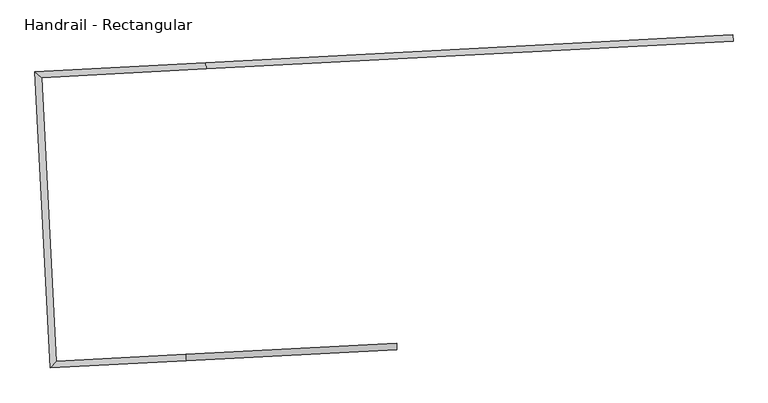
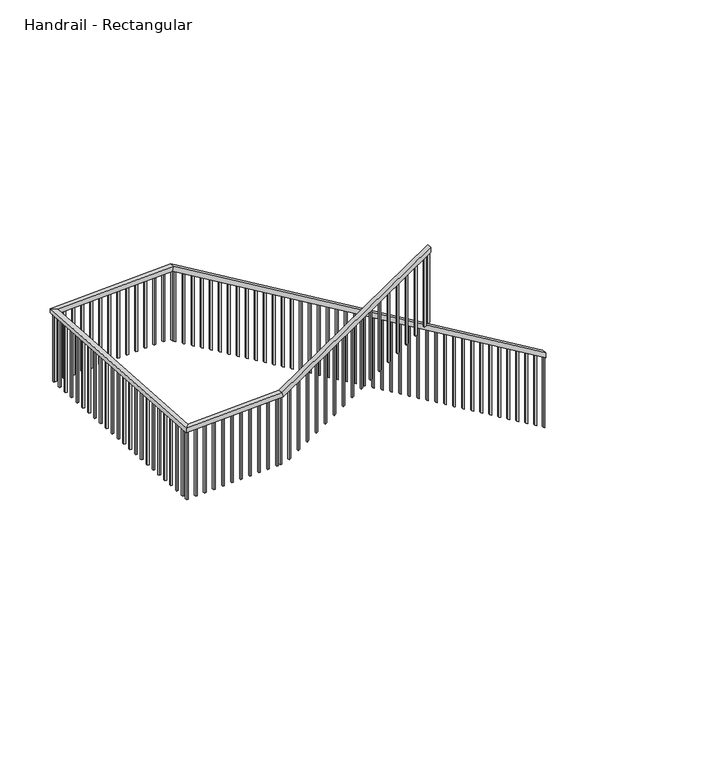
"""IFC4 building model written with IfcOpenShell, lengths in millimetres: railing geometry, Handrail - Rectangular."""

from ifc_helpers import new_model, si_unit, frame, origin, place, context, project, spatial, polyline, outline, extrude, faceted_brep, source, transform, mapped, element, save


def handrail_rectangular_d2dfd278(model_context):
    return source(origin(), model_context, "Body", "SolidModel", [
        faceted_brep([(12025.5013204, -23884.9625943, 1087.5818182), (12028.159987, -23935.6929746, 1087.5818182), (12028.159987, -23935.6929746, 1027.8146938), (12025.5013204, -23884.9625943, 1027.8146938), (7840.2449403, -24104.3025869, 3685.3090909), (7842.9036068, -24155.0329673, 3685.3090909), (7828.4564726, -24155.7901095, 3634.5090909), (7825.797806, -24105.0597291, 3634.5090909), (6483.2072655, -24175.4219178, 3685.3090909), (6536.5963124, -24223.4936316, 3685.3090909), (6536.5963124, -24223.4936316, 3634.5090909), (6483.2072655, -24175.4219178, 3634.5090909), (6606.502928, -26528.0433073, 3685.3090909), (6654.5746418, -26474.6542603, 3685.3090909), (6654.5746418, -26474.6542603, 3634.5090909), (6606.502928, -26528.0433073, 3634.5090909), (7684.5235108, -26471.5466425, 3685.3090909), (7681.8648442, -26420.8162622, 3685.3090909), (7696.3119785, -26420.0591199, 3634.5090909), (7698.970645, -26470.7895003, 3634.5090909), (9358.6260628, -26383.8106455, 4724.4), (9358.6260628, -26383.8106455, 4664.6328756), (9355.9673962, -26333.0802651, 4664.6328756), (9355.9673962, -26333.0802651, 4724.4)], [[[0, 1, 2, 3]], [[1, 0, 4, 5]], [[2, 1, 5, 6]], [[3, 2, 6, 7]], [[0, 3, 7, 4]], [[5, 4, 8, 9]], [[6, 5, 9, 10]], [[7, 6, 10, 11]], [[4, 7, 11, 8]], [[9, 8, 12, 13]], [[10, 9, 13, 14]], [[11, 10, 14, 15]], [[8, 11, 15, 12]], [[13, 12, 16, 17]], [[14, 13, 17, 18]], [[15, 14, 18, 19]], [[12, 15, 19, 16]], [[20, 21, 22, 23]], [[17, 16, 20, 23]], [[18, 17, 23, 22]], [[19, 18, 22, 21]], [[16, 19, 21, 20]]]),
        extrude(outline(polyline([(222.6960744, -19.0500001), (234.5039256, 0.0), (1048.9045305, 0.0), (1037.0966792, -19.0500001), (222.6960744, -19.0500001)])), frame((9297.5529028, -26371.1145682, 4861.7452723), z_axis=(-0.052335956242940136, 0.9986295347545743, 0.0), x_axis=(0.0, 0.0, -1.0)), (0.0, 0.0, 1.0), 19.05),
        extrude(outline(polyline([(222.6960744, -19.05), (234.5039257, 0.0), (1048.9045305, 0.0), (1037.0966792, -19.05), (222.6960744, -19.05)])), frame((9196.0921421, -26376.4319013, 4798.7700657), z_axis=(-0.052335956242940136, 0.9986295347545743, 0.0), x_axis=(0.0, 0.0, -1.0)), (0.0, 0.0, 1.0), 19.05),
        extrude(outline(polyline([(222.6960743, -19.05), (234.5039256, 0.0), (1048.9045304, 0.0), (1037.0966791, -19.05), (222.6960743, -19.05)])), frame((9094.6313814, -26381.7492345, 4735.794859), z_axis=(-0.052335956242940136, 0.9986295347545743, 0.0), x_axis=(0.0, 0.0, -1.0)), (0.0, 0.0, 1.0), 19.05),
        extrude(outline(polyline([(222.6960743, -19.0500001), (234.5039256, 0.0), (1048.9045304, 0.0), (1037.0966792, -19.0500001), (222.6960743, -19.0500001)])), frame((8993.1706206, -26387.0665676, 4672.8196524), z_axis=(-0.052335956242940136, 0.9986295347545743, 0.0), x_axis=(0.0, 0.0, -1.0)), (0.0, 0.0, 1.0), 19.05),
        extrude(outline(polyline([(222.6960744, -19.05), (234.5039256, 0.0), (1048.9045304, 0.0), (1037.0966792, -19.05), (222.6960744, -19.05)])), frame((8891.7098599, -26392.3839008, 4609.8444458), z_axis=(-0.052335956242940136, 0.9986295347545743, 0.0), x_axis=(0.0, 0.0, -1.0)), (0.0, 0.0, 1.0), 19.05),
        extrude(outline(polyline([(222.6960744, -19.05), (234.5039256, 0.0), (1048.9045304, 0.0), (1037.0966792, -19.05), (222.6960744, -19.05)])), frame((8790.2490992, -26397.7012339, 4546.8692392), z_axis=(-0.052335956242940136, 0.9986295347545743, 0.0), x_axis=(0.0, 0.0, -1.0)), (0.0, 0.0, 1.0), 19.05),
        extrude(outline(polyline([(222.6960744, -19.05), (234.5039256, 0.0), (1048.9045304, 0.0), (1037.0966792, -19.05), (222.6960744, -19.05)])), frame((8688.7883385, -26403.0185671, 4483.8940326), z_axis=(-0.052335956242940136, 0.9986295347545743, 0.0), x_axis=(0.0, 0.0, -1.0)), (0.0, 0.0, 1.0), 19.05),
        extrude(outline(polyline([(222.6960744, -19.0500001), (234.5039256, 0.0), (1048.9045304, 0.0), (1037.0966792, -19.0500001), (222.6960744, -19.0500001)])), frame((8587.3275777, -26408.3359003, 4420.918826), z_axis=(-0.052335956242940136, 0.9986295347545743, 0.0), x_axis=(0.0, 0.0, -1.0)), (0.0, 0.0, 1.0), 19.05),
        extrude(outline(polyline([(222.6960744, -19.05), (234.5039256, 0.0), (1048.9045305, 0.0), (1037.0966792, -19.05), (222.6960744, -19.05)])), frame((8485.866817, -26413.6532334, 4357.9436194), z_axis=(-0.052335956242940136, 0.9986295347545743, 0.0), x_axis=(0.0, 0.0, -1.0)), (0.0, 0.0, 1.0), 19.05),
        extrude(outline(polyline([(222.6960744, -19.05), (234.5039257, 0.0), (1048.9045305, 0.0), (1037.0966792, -19.05), (222.6960744, -19.05)])), frame((8384.4060563, -26418.9705666, 4294.9684128), z_axis=(-0.052335956242940136, 0.9986295347545743, 0.0), x_axis=(0.0, 0.0, -1.0)), (0.0, 0.0, 1.0), 19.05),
        extrude(outline(polyline([(222.6960744, -19.0500001), (234.5039257, 0.0), (1048.9045305, 0.0), (1037.0966792, -19.0500001), (222.6960744, -19.0500001)])), frame((8282.9452955, -26424.2878997, 4231.9932062), z_axis=(-0.052335956242940136, 0.9986295347545743, 0.0), x_axis=(0.0, 0.0, -1.0)), (0.0, 0.0, 1.0), 19.05),
        extrude(outline(polyline([(222.6960743, -19.05), (234.5039256, 0.0), (1048.9045304, 0.0), (1037.0966791, -19.05), (222.6960743, -19.05)])), frame((8181.4845348, -26429.6052329, 4169.0179995), z_axis=(-0.052335956242940136, 0.9986295347545743, 0.0), x_axis=(0.0, 0.0, -1.0)), (0.0, 0.0, 1.0), 19.05),
        extrude(outline(polyline([(222.6960743, -19.05), (234.5039256, 0.0), (1048.9045304, 0.0), (1037.0966792, -19.05), (222.6960743, -19.05)])), frame((8080.0237741, -26434.922566, 4106.0427929), z_axis=(-0.052335956242940136, 0.9986295347545743, 0.0), x_axis=(0.0, 0.0, -1.0)), (0.0, 0.0, 1.0), 19.05),
        extrude(outline(polyline([(222.6960744, -19.0500001), (234.5039256, 0.0), (1048.9045304, 0.0), (1037.0966792, -19.0500001), (222.6960744, -19.0500001)])), frame((7978.5630133, -26440.2398992, 4043.0675863), z_axis=(-0.052335956242940136, 0.9986295347545743, 0.0), x_axis=(0.0, 0.0, -1.0)), (0.0, 0.0, 1.0), 19.05),
        extrude(outline(polyline([(222.6960744, -19.05), (234.5039256, 0.0), (1048.9045304, 0.0), (1037.0966792, -19.05), (222.6960744, -19.05)])), frame((7877.1022526, -26445.5572323, 3980.0923797), z_axis=(-0.052335956242940136, 0.9986295347545743, 0.0), x_axis=(0.0, 0.0, -1.0)), (0.0, 0.0, 1.0), 19.05),
        extrude(outline(polyline([(222.6960744, -19.05), (234.5039256, 0.0), (1048.9045304, 0.0), (1037.0966792, -19.05), (222.6960744, -19.05)])), frame((7775.6414919, -26450.8745655, 3917.1171731), z_axis=(-0.052335956242940136, 0.9986295347545743, 0.0), x_axis=(0.0, 0.0, -1.0)), (0.0, 0.0, 1.0), 19.05),
        extrude(outline(polyline([(7636.1329459, -26458.1858986), (7635.1359459, -26439.1620059), (7654.1598385, -26438.165006), (7655.1568385, -26457.1888986), (7636.1329459, -26458.1858986)])), frame((0.0, 0.0, 2847.1090909), z_axis=(0.0, 0.0, 1.0), x_axis=(1.0, 0.0, 0.0)), (0.0, 0.0, 1.0), 787.4),
        extrude(outline(polyline([(7534.6721851, -26463.5032317), (7533.6751852, -26444.4793391), (7552.6990778, -26443.4823391), (7553.6960778, -26462.5062318), (7534.6721851, -26463.5032317)])), frame((0.0, 0.0, 2847.1090909), z_axis=(0.0, 0.0, 1.0), x_axis=(1.0, 0.0, 0.0)), (0.0, 0.0, 1.0), 787.4),
        extrude(outline(polyline([(7433.2114244, -26468.8205649), (7432.2144244, -26449.7966722), (7451.2383171, -26448.7996723), (7452.235317, -26467.8235649), (7433.2114244, -26468.8205649)])), frame((0.0, 0.0, 2847.1090909), z_axis=(0.0, 0.0, 1.0), x_axis=(1.0, 0.0, 0.0)), (0.0, 0.0, 1.0), 787.4),
        extrude(outline(polyline([(7331.7506637, -26474.137898), (7330.7536637, -26455.1140054), (7349.7775563, -26454.1170054), (7350.7745563, -26473.1408981), (7331.7506637, -26474.137898)])), frame((0.0, 0.0, 2847.1090909), z_axis=(0.0, 0.0, 1.0), x_axis=(1.0, 0.0, 0.0)), (0.0, 0.0, 1.0), 787.4),
        extrude(outline(polyline([(7230.2899029, -26479.4552312), (7229.292903, -26460.4313386), (7248.3167956, -26459.4343386), (7249.3137956, -26478.4582312), (7230.2899029, -26479.4552312)])), frame((0.0, 0.0, 2847.1090909), z_axis=(0.0, 0.0, 1.0), x_axis=(1.0, 0.0, 0.0)), (0.0, 0.0, 1.0), 787.4),
        extrude(outline(polyline([(7128.8291422, -26484.7725643), (7127.8321422, -26465.7486717), (7146.8560349, -26464.7516717), (7147.8530348, -26483.7755644), (7128.8291422, -26484.7725643)])), frame((0.0, 0.0, 2847.1090909), z_axis=(0.0, 0.0, 1.0), x_axis=(1.0, 0.0, 0.0)), (0.0, 0.0, 1.0), 787.4),
        extrude(outline(polyline([(7027.3683815, -26490.0898975), (7026.3713815, -26471.0660049), (7045.3952742, -26470.0690049), (7046.3922741, -26489.0928975), (7027.3683815, -26490.0898975)])), frame((0.0, 0.0, 2847.1090909), z_axis=(0.0, 0.0, 1.0), x_axis=(1.0, 0.0, 0.0)), (0.0, 0.0, 1.0), 787.4),
        extrude(outline(polyline([(6925.9076207, -26495.4072307), (6924.9106208, -26476.383338), (6943.9345134, -26475.386338), (6944.9315134, -26494.4102307), (6925.9076207, -26495.4072307)])), frame((0.0, 0.0, 2847.1090909), z_axis=(0.0, 0.0, 1.0), x_axis=(1.0, 0.0, 0.0)), (0.0, 0.0, 1.0), 787.4),
        extrude(outline(polyline([(6824.44686, -26500.7245638), (6823.4498601, -26481.7006712), (6842.4737527, -26480.7036712), (6843.4707527, -26499.7275638), (6824.44686, -26500.7245638)])), frame((0.0, 0.0, 2847.1090909), z_axis=(0.0, 0.0, 1.0), x_axis=(1.0, 0.0, 0.0)), (0.0, 0.0, 1.0), 787.4),
        extrude(outline(polyline([(6722.9860993, -26506.041897), (6721.9890993, -26487.0180043), (6741.012992, -26486.0210044), (6742.0099919, -26505.044897), (6722.9860993, -26506.041897)])), frame((0.0, 0.0, 2847.1090909), z_axis=(0.0, 0.0, 1.0), x_axis=(1.0, 0.0, 0.0)), (0.0, 0.0, 1.0), 787.4),
        extrude(outline(polyline([(6616.872672, -26422.5810645), (6635.8965647, -26421.5840645), (6636.8935646, -26440.6079571), (6617.869672, -26441.6049571), (6616.872672, -26422.5810645)])), frame((0.0, 0.0, 2847.1090909), z_axis=(0.0, 0.0, 1.0), x_axis=(1.0, 0.0, 0.0)), (0.0, 0.0, 1.0), 787.4),
        extrude(outline(polyline([(6611.5553389, -26321.1203037), (6630.5792315, -26320.1233038), (6631.5762315, -26339.1471964), (6612.5523389, -26340.1441964), (6611.5553389, -26321.1203037)])), frame((0.0, 0.0, 2847.1090909), z_axis=(0.0, 0.0, 1.0), x_axis=(1.0, 0.0, 0.0)), (0.0, 0.0, 1.0), 787.4),
        extrude(outline(polyline([(6606.2380057, -26219.659543), (6625.2618984, -26218.662543), (6626.2588983, -26237.6864357), (6607.2350057, -26238.6834357), (6606.2380057, -26219.659543)])), frame((0.0, 0.0, 2847.1090909), z_axis=(0.0, 0.0, 1.0), x_axis=(1.0, 0.0, 0.0)), (0.0, 0.0, 1.0), 787.4),
        extrude(outline(polyline([(6600.9206726, -26118.1987823), (6619.9445652, -26117.2017823), (6620.9415652, -26136.225675), (6601.9176725, -26137.2226749), (6600.9206726, -26118.1987823)])), frame((0.0, 0.0, 2847.1090909), z_axis=(0.0, 0.0, 1.0), x_axis=(1.0, 0.0, 0.0)), (0.0, 0.0, 1.0), 787.4),
        extrude(outline(polyline([(6595.6033394, -26016.7380216), (6614.6272321, -26015.7410216), (6615.624232, -26034.7649142), (6596.6003394, -26035.7619142), (6595.6033394, -26016.7380216)])), frame((0.0, 0.0, 2847.1090909), z_axis=(0.0, 0.0, 1.0), x_axis=(1.0, 0.0, 0.0)), (0.0, 0.0, 1.0), 787.4),
        extrude(outline(polyline([(6590.2860063, -25915.2772608), (6609.3098989, -25914.2802609), (6610.3068989, -25933.3041535), (6591.2830062, -25934.3011535), (6590.2860063, -25915.2772608)])), frame((0.0, 0.0, 2847.1090909), z_axis=(0.0, 0.0, 1.0), x_axis=(1.0, 0.0, 0.0)), (0.0, 0.0, 1.0), 787.4),
        extrude(outline(polyline([(6584.9686731, -25813.8165001), (6603.9925658, -25812.8195001), (6604.9895657, -25831.8433928), (6585.9656731, -25832.8403927), (6584.9686731, -25813.8165001)])), frame((0.0, 0.0, 2847.1090909), z_axis=(0.0, 0.0, 1.0), x_axis=(1.0, 0.0, 0.0)), (0.0, 0.0, 1.0), 787.4),
        extrude(outline(polyline([(6579.65134, -25712.3557394), (6598.6752326, -25711.3587394), (6599.6722326, -25730.382632), (6580.6483399, -25731.379632), (6579.65134, -25712.3557394)])), frame((0.0, 0.0, 2847.1090909), z_axis=(0.0, 0.0, 1.0), x_axis=(1.0, 0.0, 0.0)), (0.0, 0.0, 1.0), 787.4),
        extrude(outline(polyline([(6574.3340068, -25610.8949786), (6593.3578994, -25609.8979787), (6594.3548994, -25628.9218713), (6575.3310068, -25629.9188713), (6574.3340068, -25610.8949786)])), frame((0.0, 0.0, 2847.1090909), z_axis=(0.0, 0.0, 1.0), x_axis=(1.0, 0.0, 0.0)), (0.0, 0.0, 1.0), 787.4),
        extrude(outline(polyline([(6569.0166737, -25509.4342179), (6588.0405663, -25508.4372179), (6589.0375663, -25527.4611106), (6570.0136736, -25528.4581105), (6569.0166737, -25509.4342179)])), frame((0.0, 0.0, 2847.1090909), z_axis=(0.0, 0.0, 1.0), x_axis=(1.0, 0.0, 0.0)), (0.0, 0.0, 1.0), 787.4),
        extrude(outline(polyline([(6563.6993405, -25407.9734572), (6582.7232331, -25406.9764572), (6583.7202331, -25426.0003498), (6564.6963405, -25426.9973498), (6563.6993405, -25407.9734572)])), frame((0.0, 0.0, 2847.1090909), z_axis=(0.0, 0.0, 1.0), x_axis=(1.0, 0.0, 0.0)), (0.0, 0.0, 1.0), 787.4),
        extrude(outline(polyline([(6558.3820073, -25306.5126964), (6577.4059, -25305.5156965), (6578.4029, -25324.5395891), (6559.3790073, -25325.5365891), (6558.3820073, -25306.5126964)])), frame((0.0, 0.0, 2847.1090909), z_axis=(0.0, 0.0, 1.0), x_axis=(1.0, 0.0, 0.0)), (0.0, 0.0, 1.0), 787.4),
        extrude(outline(polyline([(6553.0646742, -25205.0519357), (6572.0885668, -25204.0549357), (6573.0855668, -25223.0788284), (6554.0616742, -25224.0758283), (6553.0646742, -25205.0519357)])), frame((0.0, 0.0, 2847.1090909), z_axis=(0.0, 0.0, 1.0), x_axis=(1.0, 0.0, 0.0)), (0.0, 0.0, 1.0), 787.4),
        extrude(outline(polyline([(6547.747341, -25103.591175), (6566.7712337, -25102.594175), (6567.7682336, -25121.6180676), (6548.744341, -25122.6150676), (6547.747341, -25103.591175)])), frame((0.0, 0.0, 2847.1090909), z_axis=(0.0, 0.0, 1.0), x_axis=(1.0, 0.0, 0.0)), (0.0, 0.0, 1.0), 787.4),
        extrude(outline(polyline([(6542.4300079, -25002.1304142), (6561.4539005, -25001.1334143), (6562.4509005, -25020.1573069), (6543.4270079, -25021.1543069), (6542.4300079, -25002.1304142)])), frame((0.0, 0.0, 2847.1090909), z_axis=(0.0, 0.0, 1.0), x_axis=(1.0, 0.0, 0.0)), (0.0, 0.0, 1.0), 787.4),
        extrude(outline(polyline([(6537.1126747, -24900.6696535), (6556.1365674, -24899.6726535), (6557.1335673, -24918.6965462), (6538.1096747, -24919.6935461), (6537.1126747, -24900.6696535)])), frame((0.0, 0.0, 2847.1090909), z_axis=(0.0, 0.0, 1.0), x_axis=(1.0, 0.0, 0.0)), (0.0, 0.0, 1.0), 787.4),
        extrude(outline(polyline([(6531.7953416, -24799.2088928), (6550.8192342, -24798.2118928), (6551.8162342, -24817.2357855), (6532.7923415, -24818.2327854), (6531.7953416, -24799.2088928)])), frame((0.0, 0.0, 2847.1090909), z_axis=(0.0, 0.0, 1.0), x_axis=(1.0, 0.0, 0.0)), (0.0, 0.0, 1.0), 787.4),
        extrude(outline(polyline([(6526.4780084, -24697.748132), (6545.5019011, -24696.7511321), (6546.498901, -24715.7750247), (6527.4750084, -24716.7720247), (6526.4780084, -24697.748132)])), frame((0.0, 0.0, 2847.1090909), z_axis=(0.0, 0.0, 1.0), x_axis=(1.0, 0.0, 0.0)), (0.0, 0.0, 1.0), 787.4),
        extrude(outline(polyline([(6521.1606753, -24596.2873713), (6540.1845679, -24595.2903714), (6541.1815679, -24614.314264), (6522.1576752, -24615.311264), (6521.1606753, -24596.2873713)])), frame((0.0, 0.0, 2847.1090909), z_axis=(0.0, 0.0, 1.0), x_axis=(1.0, 0.0, 0.0)), (0.0, 0.0, 1.0), 787.4),
        extrude(outline(polyline([(6515.8433421, -24494.8266106), (6534.8672348, -24493.8296106), (6535.8642347, -24512.8535033), (6516.8403421, -24513.8505032), (6515.8433421, -24494.8266106)])), frame((0.0, 0.0, 2847.1090909), z_axis=(0.0, 0.0, 1.0), x_axis=(1.0, 0.0, 0.0)), (0.0, 0.0, 1.0), 787.4),
        extrude(outline(polyline([(6510.526009, -24393.3658499), (6529.5499016, -24392.3688499), (6530.5469016, -24411.3927425), (6511.5230089, -24412.3897425), (6510.526009, -24393.3658499)])), frame((0.0, 0.0, 2847.1090909), z_axis=(0.0, 0.0, 1.0), x_axis=(1.0, 0.0, 0.0)), (0.0, 0.0, 1.0), 787.4),
        extrude(outline(polyline([(6505.2086758, -24291.9050891), (6524.2325684, -24290.9080892), (6525.2295684, -24309.9319818), (6506.2056758, -24310.9289818), (6505.2086758, -24291.9050891)])), frame((0.0, 0.0, 2847.1090909), z_axis=(0.0, 0.0, 1.0), x_axis=(1.0, 0.0, 0.0)), (0.0, 0.0, 1.0), 787.4),
        extrude(outline(polyline([(6531.5978304, -24188.7826618), (6532.5948303, -24207.8065544), (6513.5709377, -24208.8035544), (6512.5739377, -24189.7796617), (6531.5978304, -24188.7826618)])), frame((0.0, 0.0, 2847.1090909), z_axis=(0.0, 0.0, 1.0), x_axis=(1.0, 0.0, 0.0)), (0.0, 0.0, 1.0), 787.4),
        extrude(outline(polyline([(6633.0585911, -24183.4653286), (6634.0555911, -24202.4892213), (6615.0316984, -24203.4862212), (6614.0346985, -24184.4623286), (6633.0585911, -24183.4653286)])), frame((0.0, 0.0, 2847.1090909), z_axis=(0.0, 0.0, 1.0), x_axis=(1.0, 0.0, 0.0)), (0.0, 0.0, 1.0), 787.4),
        extrude(outline(polyline([(6734.5193518, -24178.1479955), (6735.5163518, -24197.1718881), (6716.4924592, -24198.1688881), (6715.4954592, -24179.1449954), (6734.5193518, -24178.1479955)])), frame((0.0, 0.0, 2847.1090909), z_axis=(0.0, 0.0, 1.0), x_axis=(1.0, 0.0, 0.0)), (0.0, 0.0, 1.0), 787.4),
        extrude(outline(polyline([(6835.9801126, -24172.8306623), (6836.9771125, -24191.854555), (6817.9532199, -24192.8515549), (6816.9562199, -24173.8276623), (6835.9801126, -24172.8306623)])), frame((0.0, 0.0, 2847.1090909), z_axis=(0.0, 0.0, 1.0), x_axis=(1.0, 0.0, 0.0)), (0.0, 0.0, 1.0), 787.4),
        extrude(outline(polyline([(6937.4408733, -24167.5133292), (6938.4378733, -24186.5372218), (6919.4139806, -24187.5342218), (6918.4169807, -24168.5103291), (6937.4408733, -24167.5133292)])), frame((0.0, 0.0, 2847.1090909), z_axis=(0.0, 0.0, 1.0), x_axis=(1.0, 0.0, 0.0)), (0.0, 0.0, 1.0), 787.4),
        extrude(outline(polyline([(7038.901634, -24162.195996), (7039.898634, -24181.2198886), (7020.8747414, -24182.2168886), (7019.8777414, -24163.192996), (7038.901634, -24162.195996)])), frame((0.0, 0.0, 2847.1090909), z_axis=(0.0, 0.0, 1.0), x_axis=(1.0, 0.0, 0.0)), (0.0, 0.0, 1.0), 787.4),
        extrude(outline(polyline([(7140.3623948, -24156.8786629), (7141.3593947, -24175.9025555), (7122.3355021, -24176.8995555), (7121.3385021, -24157.8756628), (7140.3623948, -24156.8786629)])), frame((0.0, 0.0, 2847.1090909), z_axis=(0.0, 0.0, 1.0), x_axis=(1.0, 0.0, 0.0)), (0.0, 0.0, 1.0), 787.4),
        extrude(outline(polyline([(7241.8231555, -24151.5613297), (7242.8201555, -24170.5852223), (7223.7962628, -24171.5822223), (7222.7992629, -24152.5583297), (7241.8231555, -24151.5613297)])), frame((0.0, 0.0, 2847.1090909), z_axis=(0.0, 0.0, 1.0), x_axis=(1.0, 0.0, 0.0)), (0.0, 0.0, 1.0), 787.4),
        extrude(outline(polyline([(7343.2839162, -24146.2439965), (7344.2809162, -24165.2678892), (7325.2570236, -24166.2648892), (7324.2600236, -24147.2409965), (7343.2839162, -24146.2439965)])), frame((0.0, 0.0, 2847.1090909), z_axis=(0.0, 0.0, 1.0), x_axis=(1.0, 0.0, 0.0)), (0.0, 0.0, 1.0), 787.4),
        extrude(outline(polyline([(7444.744677, -24140.9266634), (7445.7416769, -24159.950556), (7426.7177843, -24160.947556), (7425.7207843, -24141.9236634), (7444.744677, -24140.9266634)])), frame((0.0, 0.0, 2847.1090909), z_axis=(0.0, 0.0, 1.0), x_axis=(1.0, 0.0, 0.0)), (0.0, 0.0, 1.0), 787.4),
        extrude(outline(polyline([(7546.2054377, -24135.6093302), (7547.2024377, -24154.6332229), (7528.178545, -24155.6302228), (7527.1815451, -24136.6063302), (7546.2054377, -24135.6093302)])), frame((0.0, 0.0, 2847.1090909), z_axis=(0.0, 0.0, 1.0), x_axis=(1.0, 0.0, 0.0)), (0.0, 0.0, 1.0), 787.4),
        extrude(outline(polyline([(7647.6661984, -24130.2919971), (7648.6631984, -24149.3158897), (7629.6393058, -24150.3128897), (7628.6423058, -24131.2889971), (7647.6661984, -24130.2919971)])), frame((0.0, 0.0, 2847.1090909), z_axis=(0.0, 0.0, 1.0), x_axis=(1.0, 0.0, 0.0)), (0.0, 0.0, 1.0), 787.4),
        extrude(outline(polyline([(7749.1269592, -24124.9746639), (7750.1239591, -24143.9985566), (7731.1000665, -24144.9955565), (7730.1030665, -24125.9716639), (7749.1269592, -24124.9746639)])), frame((0.0, 0.0, 2847.1090909), z_axis=(0.0, 0.0, 1.0), x_axis=(1.0, 0.0, 0.0)), (0.0, 0.0, 1.0), 787.4),
        extrude(outline(polyline([(234.5039256, -19.05), (222.6960743, 0.0), (1037.0966792, 0.0), (1048.9045304, -19.05), (234.5039256, -19.05)])), frame((7857.9260174, -24138.3488901, 3838.3981648), z_axis=(-0.05233595624293971, 0.9986295347545743, 0.0), x_axis=(0.0, 0.0, -1.0)), (0.0, 0.0, 1.0), 19.05),
        extrude(outline(polyline([(234.5039256, -19.0500001), (222.6960744, 0.0), (1037.0966792, 0.0), (1048.9045304, -19.0500001), (234.5039256, -19.0500001)])), frame((7959.3867781, -24133.0315569, 3775.4229582), z_axis=(-0.05233595624293971, 0.9986295347545743, 0.0), x_axis=(0.0, 0.0, -1.0)), (0.0, 0.0, 1.0), 19.05),
        extrude(outline(polyline([(234.5039256, -19.05), (222.6960744, 0.0), (1037.0966792, 0.0), (1048.9045304, -19.05), (234.5039256, -19.05)])), frame((8060.8475389, -24127.7142238, 3712.4477516), z_axis=(-0.05233595624293971, 0.9986295347545743, 0.0), x_axis=(0.0, 0.0, -1.0)), (0.0, 0.0, 1.0), 19.05),
        extrude(outline(polyline([(234.5039256, -19.05), (222.6960744, 0.0), (1037.0966792, 0.0), (1048.9045304, -19.05), (234.5039256, -19.05)])), frame((8162.3082996, -24122.3968906, 3649.472545), z_axis=(-0.05233595624293971, 0.9986295347545743, 0.0), x_axis=(0.0, 0.0, -1.0)), (0.0, 0.0, 1.0), 19.05),
        extrude(outline(polyline([(234.5039256, -19.0500001), (222.6960744, 0.0), (1037.0966792, 0.0), (1048.9045304, -19.0500001), (234.5039256, -19.0500001)])), frame((8263.7690603, -24117.0795575, 3586.4973384), z_axis=(-0.05233595624293971, 0.9986295347545743, 0.0), x_axis=(0.0, 0.0, -1.0)), (0.0, 0.0, 1.0), 19.05),
        extrude(outline(polyline([(234.5039256, -19.05), (222.6960744, 0.0), (1037.0966792, 0.0), (1048.9045305, -19.05), (234.5039256, -19.05)])), frame((8365.2298211, -24111.7622243, 3523.5221318), z_axis=(-0.05233595624293971, 0.9986295347545743, 0.0), x_axis=(0.0, 0.0, -1.0)), (0.0, 0.0, 1.0), 19.05),
        extrude(outline(polyline([(234.5039257, -19.05), (222.6960744, 0.0), (1037.0966792, 0.0), (1048.9045305, -19.05), (234.5039257, -19.05)])), frame((8466.6905818, -24106.4448912, 3460.5469252), z_axis=(-0.05233595624293971, 0.9986295347545743, 0.0), x_axis=(0.0, 0.0, -1.0)), (0.0, 0.0, 1.0), 19.05),
        extrude(outline(polyline([(234.5039257, -19.05), (222.6960744, 0.0), (1037.0966792, 0.0), (1048.9045305, -19.05), (234.5039257, -19.05)])), frame((8568.1513425, -24101.127558, 3397.5717186), z_axis=(-0.05233595624293971, 0.9986295347545743, 0.0), x_axis=(0.0, 0.0, -1.0)), (0.0, 0.0, 1.0), 19.05),
        extrude(outline(polyline([(234.5039256, -19.0500001), (222.6960743, 0.0), (1037.0966791, 0.0), (1048.9045304, -19.0500001), (234.5039256, -19.0500001)])), frame((8669.6121032, -24095.8102249, 3334.5965119), z_axis=(-0.05233595624293971, 0.9986295347545743, 0.0), x_axis=(0.0, 0.0, -1.0)), (0.0, 0.0, 1.0), 19.05),
        extrude(outline(polyline([(234.5039256, -19.05), (222.6960744, 0.0), (1037.0966792, 0.0), (1048.9045304, -19.05), (234.5039256, -19.05)])), frame((8771.072864, -24090.4928917, 3271.6213053), z_axis=(-0.05233595624293971, 0.9986295347545743, 0.0), x_axis=(0.0, 0.0, -1.0)), (0.0, 0.0, 1.0), 19.05),
        extrude(outline(polyline([(234.5039256, -19.05), (222.6960744, 0.0), (1037.0966792, 0.0), (1048.9045304, -19.05), (234.5039256, -19.05)])), frame((8872.5336247, -24085.1755585, 3208.6460987), z_axis=(-0.05233595624293971, 0.9986295347545743, 0.0), x_axis=(0.0, 0.0, -1.0)), (0.0, 0.0, 1.0), 19.05),
        extrude(outline(polyline([(234.5039256, -19.0500001), (222.6960744, 0.0), (1037.0966792, 0.0), (1048.9045304, -19.0500001), (234.5039256, -19.0500001)])), frame((8973.9943854, -24079.8582254, 3145.6708921), z_axis=(-0.05233595624293971, 0.9986295347545743, 0.0), x_axis=(0.0, 0.0, -1.0)), (0.0, 0.0, 1.0), 19.05),
        extrude(outline(polyline([(234.5039256, -19.05), (222.6960744, 0.0), (1037.0966792, 0.0), (1048.9045304, -19.05), (234.5039256, -19.05)])), frame((9075.4551462, -24074.5408922, 3082.6956855), z_axis=(-0.05233595624293971, 0.9986295347545743, 0.0), x_axis=(0.0, 0.0, -1.0)), (0.0, 0.0, 1.0), 19.05),
        extrude(outline(polyline([(234.5039256, -19.05), (222.6960744, 0.0), (1037.0966792, 0.0), (1048.9045304, -19.05), (234.5039256, -19.05)])), frame((9176.9159069, -24069.2235591, 3019.7204789), z_axis=(-0.05233595624293971, 0.9986295347545743, 0.0), x_axis=(0.0, 0.0, -1.0)), (0.0, 0.0, 1.0), 19.05),
        extrude(outline(polyline([(234.5039256, -19.0500001), (222.6960744, 0.0), (1037.0966792, 0.0), (1048.9045305, -19.0500001), (234.5039256, -19.0500001)])), frame((9278.3766676, -24063.9062259, 2956.7452723), z_axis=(-0.05233595624293971, 0.9986295347545743, 0.0), x_axis=(0.0, 0.0, -1.0)), (0.0, 0.0, 1.0), 19.05),
        extrude(outline(polyline([(234.5039257, -19.05), (222.6960744, 0.0), (1037.0966792, 0.0), (1048.9045305, -19.05), (234.5039257, -19.05)])), frame((9379.8374284, -24058.5888928, 2893.7700657), z_axis=(-0.05233595624293971, 0.9986295347545743, 0.0), x_axis=(0.0, 0.0, -1.0)), (0.0, 0.0, 1.0), 19.05),
        extrude(outline(polyline([(234.5039256, -19.05), (222.6960743, 0.0), (1037.0966791, 0.0), (1048.9045304, -19.05), (234.5039256, -19.05)])), frame((9481.2981891, -24053.2715596, 2830.794859), z_axis=(-0.05233595624293971, 0.9986295347545743, 0.0), x_axis=(0.0, 0.0, -1.0)), (0.0, 0.0, 1.0), 19.05),
        extrude(outline(polyline([(234.5039256, -19.0500001), (222.6960743, 0.0), (1037.0966792, 0.0), (1048.9045304, -19.0500001), (234.5039256, -19.0500001)])), frame((9582.7589498, -24047.9542265, 2767.8196524), z_axis=(-0.05233595624293971, 0.9986295347545743, 0.0), x_axis=(0.0, 0.0, -1.0)), (0.0, 0.0, 1.0), 19.05),
        extrude(outline(polyline([(234.5039256, -19.05), (222.6960744, 0.0), (1037.0966792, 0.0), (1048.9045304, -19.05), (234.5039256, -19.05)])), frame((9684.2197106, -24042.6368933, 2704.8444458), z_axis=(-0.05233595624293971, 0.9986295347545743, 0.0), x_axis=(0.0, 0.0, -1.0)), (0.0, 0.0, 1.0), 19.05),
        extrude(outline(polyline([(234.5039256, -19.05), (222.6960744, 0.0), (1037.0966792, 0.0), (1048.9045304, -19.05), (234.5039256, -19.05)])), frame((9785.6804713, -24037.3195602, 2641.8692392), z_axis=(-0.05233595624293971, 0.9986295347545743, 0.0), x_axis=(0.0, 0.0, -1.0)), (0.0, 0.0, 1.0), 19.05),
        extrude(outline(polyline([(234.5039256, -19.0500001), (222.6960744, 0.0), (1037.0966792, 0.0), (1048.9045304, -19.0500001), (234.5039256, -19.0500001)])), frame((9887.141232, -24032.002227, 2578.8940326), z_axis=(-0.05233595624293971, 0.9986295347545743, 0.0), x_axis=(0.0, 0.0, -1.0)), (0.0, 0.0, 1.0), 19.05),
        extrude(outline(polyline([(234.5039256, -19.0500001), (222.6960744, 0.0), (1037.0966792, 0.0), (1048.9045304, -19.0500001), (234.5039256, -19.0500001)])), frame((9988.6019927, -24026.6848939, 2515.918826), z_axis=(-0.05233595624293971, 0.9986295347545743, 0.0), x_axis=(0.0, 0.0, -1.0)), (0.0, 0.0, 1.0), 19.05),
        extrude(outline(polyline([(234.5039256, -19.05), (222.6960744, 0.0), (1037.0966792, 0.0), (1048.9045305, -19.05), (234.5039256, -19.05)])), frame((10090.0627535, -24021.3675607, 2452.9436194), z_axis=(-0.05233595624293971, 0.9986295347545743, 0.0), x_axis=(0.0, 0.0, -1.0)), (0.0, 0.0, 1.0), 19.05),
        extrude(outline(polyline([(234.5039257, -19.05), (222.6960744, 0.0), (1037.0966792, 0.0), (1048.9045305, -19.05), (234.5039257, -19.05)])), frame((10191.5235142, -24016.0502275, 2389.9684128), z_axis=(-0.05233595624293971, 0.9986295347545743, 0.0), x_axis=(0.0, 0.0, -1.0)), (0.0, 0.0, 1.0), 19.05),
        extrude(outline(polyline([(234.5039257, -19.0500001), (222.6960744, 0.0), (1037.0966792, 0.0), (1048.9045305, -19.0500001), (234.5039257, -19.0500001)])), frame((10292.9842749, -24010.7328944, 2326.9932062), z_axis=(-0.05233595624293971, 0.9986295347545743, 0.0), x_axis=(0.0, 0.0, -1.0)), (0.0, 0.0, 1.0), 19.05),
        extrude(outline(polyline([(234.5039256, -19.05), (222.6960743, 0.0), (1037.0966791, 0.0), (1048.9045304, -19.05), (234.5039256, -19.05)])), frame((10394.4450357, -24005.4155612, 2264.0179995), z_axis=(-0.05233595624293971, 0.9986295347545743, 0.0), x_axis=(0.0, 0.0, -1.0)), (0.0, 0.0, 1.0), 19.05),
        extrude(outline(polyline([(234.5039256, -19.05), (222.6960743, 0.0), (1037.0966792, 0.0), (1048.9045304, -19.05), (234.5039256, -19.05)])), frame((10495.9057964, -24000.0982281, 2201.0427929), z_axis=(-0.05233595624293971, 0.9986295347545743, 0.0), x_axis=(0.0, 0.0, -1.0)), (0.0, 0.0, 1.0), 19.05),
        extrude(outline(polyline([(234.5039256, -19.0500001), (222.6960744, 0.0), (1037.0966792, 0.0), (1048.9045304, -19.0500001), (234.5039256, -19.0500001)])), frame((10597.3665571, -23994.7808949, 2138.0675863), z_axis=(-0.05233595624293971, 0.9986295347545743, 0.0), x_axis=(0.0, 0.0, -1.0)), (0.0, 0.0, 1.0), 19.05),
        extrude(outline(polyline([(234.5039256, -19.05), (222.6960744, 0.0), (1037.0966792, 0.0), (1048.9045304, -19.05), (234.5039256, -19.05)])), frame((10698.8273179, -23989.4635618, 2075.0923797), z_axis=(-0.05233595624293971, 0.9986295347545743, 0.0), x_axis=(0.0, 0.0, -1.0)), (0.0, 0.0, 1.0), 19.05),
        extrude(outline(polyline([(234.5039256, -19.05), (222.6960744, 0.0), (1037.0966792, 0.0), (1048.9045304, -19.05), (234.5039256, -19.05)])), frame((10800.2880786, -23984.1462286, 2012.1171731), z_axis=(-0.05233595624293971, 0.9986295347545743, 0.0), x_axis=(0.0, 0.0, -1.0)), (0.0, 0.0, 1.0), 19.05),
        extrude(outline(polyline([(234.5039256, -19.0500001), (222.6960744, 0.0), (1037.0966792, 0.0), (1048.9045304, -19.0500001), (234.5039256, -19.0500001)])), frame((10901.7488393, -23978.8288955, 1949.1419665), z_axis=(-0.05233595624293971, 0.9986295347545743, 0.0), x_axis=(0.0, 0.0, -1.0)), (0.0, 0.0, 1.0), 19.05),
        extrude(outline(polyline([(234.5039256, -19.05), (222.6960744, 0.0), (1037.0966792, 0.0), (1048.9045305, -19.05), (234.5039256, -19.05)])), frame((11003.2096001, -23973.5115623, 1886.1667599), z_axis=(-0.05233595624293971, 0.9986295347545743, 0.0), x_axis=(0.0, 0.0, -1.0)), (0.0, 0.0, 1.0), 19.05),
        extrude(outline(polyline([(234.5039257, -19.05), (222.6960744, 0.0), (1037.0966792, 0.0), (1048.9045305, -19.05), (234.5039257, -19.05)])), frame((11104.6703608, -23968.1942292, 1823.1915533), z_axis=(-0.05233595624293971, 0.9986295347545743, 0.0), x_axis=(0.0, 0.0, -1.0)), (0.0, 0.0, 1.0), 19.05),
        extrude(outline(polyline([(234.5039257, -19.0500001), (222.6960744, 0.0), (1037.0966792, 0.0), (1048.9045305, -19.0500001), (234.5039257, -19.0500001)])), frame((11206.1311215, -23962.876896, 1760.2163467), z_axis=(-0.05233595624293971, 0.9986295347545743, 0.0), x_axis=(0.0, 0.0, -1.0)), (0.0, 0.0, 1.0), 19.05),
        extrude(outline(polyline([(234.5039256, -19.05), (222.6960743, 0.0), (1037.0966792, 0.0), (1048.9045304, -19.05), (234.5039256, -19.05)])), frame((11307.5918823, -23957.5595628, 1697.24114), z_axis=(-0.05233595624293971, 0.9986295347545743, 0.0), x_axis=(0.0, 0.0, -1.0)), (0.0, 0.0, 1.0), 19.05),
        extrude(outline(polyline([(234.5039256, -19.05), (222.6960744, 0.0), (1037.0966792, 0.0), (1048.9045304, -19.05), (234.5039256, -19.05)])), frame((11409.052643, -23952.2422297, 1634.2659334), z_axis=(-0.05233595624293971, 0.9986295347545743, 0.0), x_axis=(0.0, 0.0, -1.0)), (0.0, 0.0, 1.0), 19.05),
        extrude(outline(polyline([(234.5039256, -19.0500001), (222.6960744, 0.0), (1037.0966792, 0.0), (1048.9045304, -19.0500001), (234.5039256, -19.0500001)])), frame((11510.5134037, -23946.9248965, 1571.2907268), z_axis=(-0.05233595624293971, 0.9986295347545743, 0.0), x_axis=(0.0, 0.0, -1.0)), (0.0, 0.0, 1.0), 19.05),
        extrude(outline(polyline([(234.5039256, -19.0500001), (222.6960744, 0.0), (1037.0966792, 0.0), (1048.9045304, -19.0500001), (234.5039256, -19.0500001)])), frame((11611.9741644, -23941.6075634, 1508.3155202), z_axis=(-0.05233595624293971, 0.9986295347545743, 0.0), x_axis=(0.0, 0.0, -1.0)), (0.0, 0.0, 1.0), 19.05),
        extrude(outline(polyline([(234.5039256, -19.05), (222.6960744, 0.0), (1037.0966792, 0.0), (1048.9045304, -19.05), (234.5039256, -19.05)])), frame((11713.4349252, -23936.2902302, 1445.3403136), z_axis=(-0.05233595624293971, 0.9986295347545743, 0.0), x_axis=(0.0, 0.0, -1.0)), (0.0, 0.0, 1.0), 19.05),
        extrude(outline(polyline([(234.5039256, -19.05), (222.6960744, 0.0), (1037.0966792, 0.0), (1048.9045304, -19.05), (234.5039256, -19.05)])), frame((11814.8956859, -23930.9728971, 1382.365107), z_axis=(-0.05233595624293971, 0.9986295347545743, 0.0), x_axis=(0.0, 0.0, -1.0)), (0.0, 0.0, 1.0), 19.05),
        extrude(outline(polyline([(234.5039257, -19.0500001), (222.6960744, 0.0), (1037.0966792, 0.0), (1048.9045305, -19.0500001), (234.5039257, -19.0500001)])), frame((11916.3564466, -23925.6555639, 1319.3899004), z_axis=(-0.05233595624293971, 0.9986295347545743, 0.0), x_axis=(0.0, 0.0, -1.0)), (0.0, 0.0, 1.0), 19.05),
        extrude(outline(polyline([(7674.1807311, -26456.1918986), (7673.1837312, -26437.168006), (7692.2076238, -26436.171006), (7693.2046238, -26455.1948987), (7674.1807311, -26456.1918986)])), frame((0.0, 0.0, 2847.1090909), z_axis=(0.0, 0.0, 1.0), x_axis=(1.0, 0.0, 0.0)), (0.0, 0.0, 1.0), 787.4),
        extrude(outline(polyline([(6620.5283386, -26492.3353375), (6639.5522312, -26491.3383375), (6640.5492312, -26510.3622301), (6621.5253386, -26511.3592301), (6620.5283386, -26492.3353375)])), frame((0.0, 0.0, 2847.1090909), z_axis=(0.0, 0.0, 1.0), x_axis=(1.0, 0.0, 0.0)), (0.0, 0.0, 1.0), 787.4),
        extrude(outline(polyline([(6518.9152353, -24189.4473284), (6519.9122353, -24208.4712211), (6500.8883426, -24209.468221), (6499.8913427, -24190.4443284), (6518.9152353, -24189.4473284)])), frame((0.0, 0.0, 2847.1090909), z_axis=(0.0, 0.0, 1.0), x_axis=(1.0, 0.0, 0.0)), (0.0, 0.0, 1.0), 787.4),
        extrude(outline(polyline([(234.5039256, -19.05), (222.6960744, 0.0), (1037.0966792, 0.0), (1048.9045304, -19.05), (234.5039256, -19.05)])), frame((7832.5608272, -24139.6782234, 3854.1419665), z_axis=(-0.05233595624293971, 0.9986295347545743, 0.0), x_axis=(0.0, 0.0, -1.0)), (0.0, 0.0, 1.0), 19.05),
        extrude(outline(polyline([(222.6960744, -19.05), (234.5039257, 0.0), (1048.9045305, 0.0), (1037.0966792, -19.05), (222.6960744, -19.05)])), frame((9338.7713369, -26368.9544016, 4887.32895), z_axis=(-0.052335956242940136, 0.9986295347545743, 0.0), x_axis=(0.0, 0.0, -1.0)), (0.0, 0.0, 1.0), 19.05),
        extrude(outline(polyline([(234.5039256, -19.05), (222.6960744, 0.0), (1037.0966792, 0.0), (1048.9045305, -19.05), (234.5039256, -19.05)])), frame((12008.3052611, -23920.8367307, 1262.3186194), z_axis=(-0.05233595624293971, 0.9986295347545743, 0.0), x_axis=(0.0, 0.0, -1.0)), (0.0, 0.0, 1.0), 19.05),
    ])


if __name__ == "__main__":
    model = new_model("IFC4")
    model_context = context("Model", 3, world=origin())
    ifc_project = project(units=[si_unit("LENGTHUNIT", "METRE", prefix="MILLI")], contexts=[model_context])
    site = spatial("IfcSite", under=ifc_project)
    building = spatial("IfcBuilding", under=site)
    placement = place(None, origin())
    handrail_rectangular_shape = handrail_rectangular_d2dfd278(model_context)
    element("IfcRailing", 1, ObjectType="Handrail - Rectangular", at=placement, inside=building, context=model_context, shape_type="MappedRepresentation", body=[
        mapped(handrail_rectangular_shape, transform((0.0, 0.0, 0.0), x_axis=(1.0, 0.0, 0.0), y_axis=(0.0, 1.0, 0.0), z_axis=(0.0, 0.0, 1.0))),
    ])
    save(model, "model.ifc")
